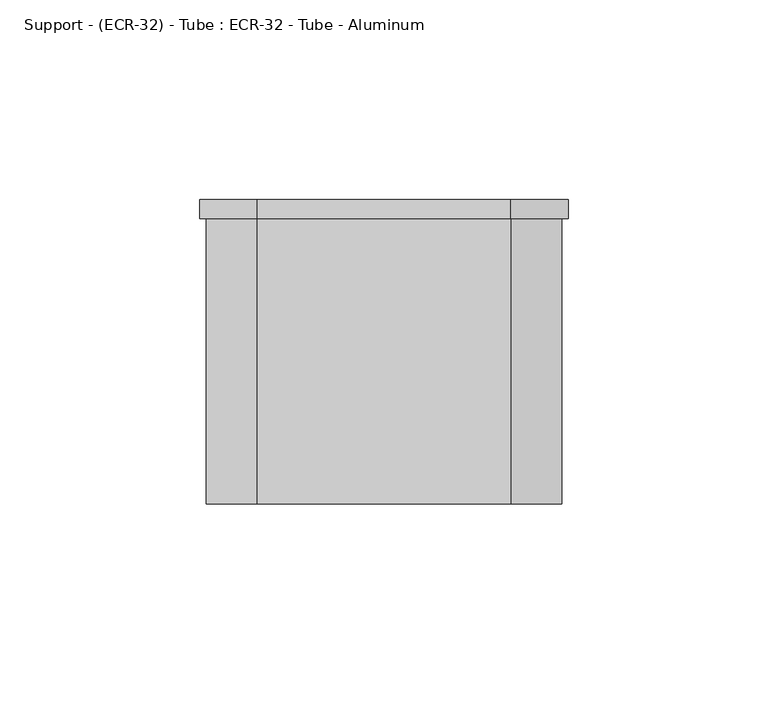
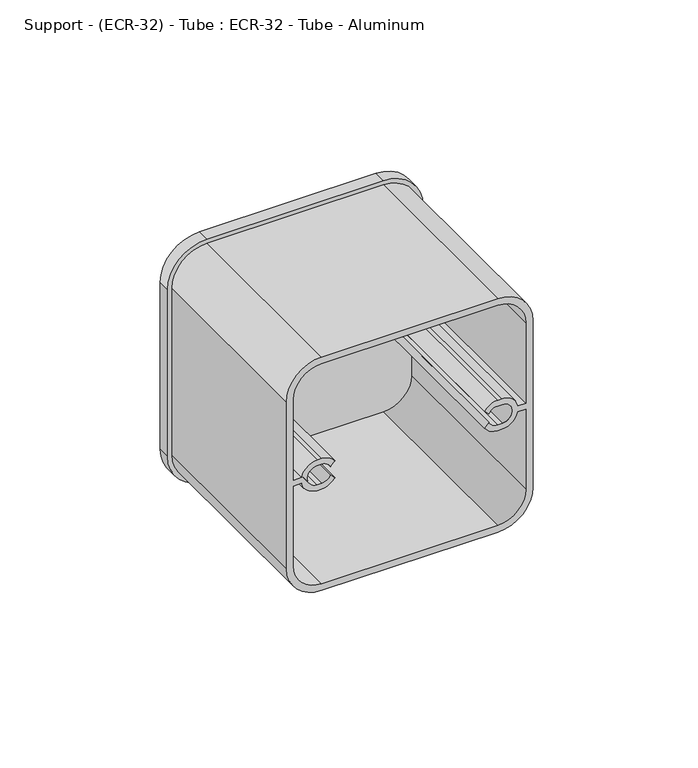
"""IFC4 building model written with IfcOpenShell, lengths in millimetres: proxy geometry, Support - (ECR-32) - Tube : ECR-32 - Tube - Aluminum."""

from ifc_helpers import new_model, si_unit, frame, origin, place, context, project, spatial, polyline, circle_curve, source, transform, mapped, element, save
from ifc_brep_helpers import plane_surface, cylinder_surface, revolved_surface, advanced_brep


def support_ecr_32_tube_ecr_32_tube_aluminum_d61cc488(model_context):
    return source(origin(), model_context, "Body", "AdvancedBrep", [
        advanced_brep(
        [(-46.0375, 74.6125, 19.05), (-31.75, 74.6125, 4.7625), (31.75, 74.6125, 4.7625), (46.0375, 74.6125, 19.05), (46.0375, 74.6125, 82.55), (31.75, 74.6125, 96.8375), (-31.75, 74.6125, 96.8375), (-46.0375, 74.6125, 82.55), (-31.75, 74.6125, 95.25), (31.75, 74.6125, 95.25), (44.45, 74.6125, 82.55), (44.45, 74.6125, 19.05), (31.75, 74.6125, 6.35), (-31.75, 74.6125, 6.35), (-44.45, 74.6125, 19.05), (-44.45, 74.6125, 82.55), (-28.5371259, 74.6125, 52.324), (-28.194, 74.6125, 50.8), (-28.5371259, 74.6125, 49.276), (-26.8620903, 74.6125, 47.6009644), (-31.7503554, 74.6125, 44.958), (-33.290701, 74.6125, 44.9581875), (-39.0665937, 74.6125, 49.657), (-41.8703125, 74.6125, 49.657), (-41.8703125, 74.6125, 19.05), (-31.75, 74.6125, 8.9296875), (31.75, 74.6125, 8.9296875), (41.8703125, 74.6125, 19.05), (41.8703125, 74.6125, 49.657), (39.0665937, 74.6125, 49.657), (33.290701, 74.6125, 44.9581875), (31.7510662, 74.6125, 44.9580001), (26.8620903, 74.6125, 47.6009644), (28.5371259, 74.6125, 49.276), (28.194, 74.6125, 50.8), (28.5371259, 74.6125, 52.324), (26.8618755, 74.6125, 53.9992504), (31.7507108, 74.6125, 56.6419999), (33.290701, 74.6125, 56.6418125), (39.0665937, 74.6125, 51.943), (41.8703125, 74.6125, 51.943), (41.8703125, 74.6125, 82.55), (31.75, 74.6125, 92.6703125), (-31.75, 74.6125, 92.6703125), (-41.8703125, 74.6125, 82.55), (-41.8703125, 74.6125, 51.943), (-39.0665937, 74.6125, 51.943), (-33.290701, 74.6125, 56.6418125), (-31.7507108, 74.6125, 56.6419999), (-26.8618755, 74.6125, 53.9992504), (-46.0375, 79.2852417, 19.05), (-46.0375, 79.2852417, 82.55), (-31.75, 79.2852417, 96.8375), (31.75, 79.2852417, 96.8375), (46.0375, 79.2852417, 82.55), (46.0375, 79.2852417, 19.05), (31.75, 79.2852417, 4.7625), (-31.75, 79.2852417, 4.7625), (-33.3375, 79.2852417, 47.244), (-31.75, 79.2852417, 47.244), (-28.5371259, 79.2852417, 49.276), (-28.194, 79.2852417, 50.8), (-28.5371259, 79.2852417, 52.324), (-31.75, 79.2852417, 54.356), (-33.3375, 79.2852417, 54.356), (31.75, 79.2852417, 47.244), (33.3375, 79.2852417, 47.244), (33.3375, 79.2852417, 54.356), (31.75, 79.2852417, 54.356), (28.5371259, 79.2852417, 52.324), (28.194, 79.2852417, 50.8), (28.5371259, 79.2852417, 49.276), (-33.3375, 74.6125, 54.356), (-33.3375, 74.6125, 47.244), (-31.75, 74.6125, 54.356), (-31.75, 3.175, 54.356), (-33.3375, 3.175, 54.356), (-31.75, 74.6125, 47.244), (-33.3375, 3.175, 47.244), (-31.75, 3.175, 47.244), (31.75, 74.6125, 54.356), (33.3375, 74.6125, 54.356), (33.3375, 3.175, 54.356), (31.75, 3.175, 54.356), (33.3375, 74.6125, 47.244), (31.75, 74.6125, 47.244), (31.75, 3.175, 47.244), (33.3375, 3.175, 47.244), (31.75, 3.175, 95.25), (-31.75, 3.175, 95.25), (-44.45, 3.175, 82.55), (-44.45, 3.175, 19.05), (-31.75, 3.175, 6.35), (31.75, 3.175, 6.35), (44.45, 3.175, 19.05), (44.45, 3.175, 82.55), (31.75, 3.175, 92.6703125), (41.8703125, 3.175, 82.55), (41.8703125, 3.175, 51.943), (39.0665937, 3.175, 51.943), (33.290701, 3.175, 56.6418125), (31.7507108, 3.175, 56.6419999), (26.8618755, 3.175, 53.9992504), (28.5371259, 3.175, 52.324), (28.5371259, 3.175, 49.276), (26.8620903, 3.175, 47.6009644), (31.7510662, 3.175, 44.9580001), (33.290701, 3.175, 44.9581875), (39.0665937, 3.175, 49.657), (41.8703125, 3.175, 49.657), (41.8703125, 3.175, 19.05), (31.75, 3.175, 8.9296875), (-31.75, 3.175, 8.9296875), (-41.8703125, 3.175, 19.05), (-41.8703125, 3.175, 49.657), (-39.0665937, 3.175, 49.657), (-33.290701, 3.175, 44.9581875), (-31.7503554, 3.175, 44.958), (-26.8620903, 3.175, 47.6009644), (-28.5371259, 3.175, 49.276), (-28.5371259, 3.175, 52.324), (-26.8618755, 3.175, 53.9992504), (-31.7507108, 3.175, 56.6419999), (-33.290701, 3.175, 56.6418125), (-39.0665937, 3.175, 51.943), (-41.8703125, 3.175, 51.943), (-41.8703125, 3.175, 82.55), (-31.75, 3.175, 92.6703125)],
        [
            (0, 1, circle_curve(frame((-31.75, 74.6125, 19.05), z_axis=(0.0, -1.0, 0.0), x_axis=(1.0, 0.0, 0.0)), 14.2875)),
            (1, 2),
            (2, 3, circle_curve(frame((31.75, 74.6125, 19.05), z_axis=(0.0, -1.0, 0.0), x_axis=(1.0, 0.0, 0.0)), 14.2875)),
            (3, 4),
            (4, 5, circle_curve(frame((31.75, 74.6125, 82.55), z_axis=(0.0, -1.0, 0.0), x_axis=(1.0, 0.0, 0.0)), 14.2875)),
            (5, 6),
            (6, 7, circle_curve(frame((-31.75, 74.6125, 82.55), z_axis=(0.0, -1.0, 0.0), x_axis=(1.0, 0.0, 0.0)), 14.2875)),
            (7, 0),
            (8, 9),
            (9, 10, circle_curve(frame((31.75, 74.6125, 82.55), z_axis=(0.0, 1.0, 0.0), x_axis=(1.0, 0.0, 0.0)), 12.7)),
            (10, 11),
            (11, 12, circle_curve(frame((31.75, 74.6125, 19.05), z_axis=(0.0, 1.0, 0.0), x_axis=(1.0, 0.0, 0.0)), 12.7)),
            (12, 13),
            (13, 14, circle_curve(frame((-31.75, 74.6125, 19.05), z_axis=(0.0, 1.0, 0.0), x_axis=(1.0, 0.0, 0.0)), 12.7)),
            (14, 15),
            (15, 8, circle_curve(frame((-31.75, 74.6125, 82.55), z_axis=(0.0, 1.0, 0.0), x_axis=(1.0, 0.0, 0.0)), 12.7)),
            (16, 17, circle_curve(frame((-31.75, 74.6125, 50.8), z_axis=(0.0, 1.0, 0.0), x_axis=(1.0, 0.0, 0.0)), 3.556)),
            (17, 18, circle_curve(frame((-31.75, 74.6125, 50.8), z_axis=(0.0, 1.0, 0.0), x_axis=(1.0, 0.0, 0.0)), 3.556)),
            (18, 19),
            (19, 20, circle_curve(frame((-31.7503554, 74.6125, 50.8), z_axis=(0.0, 1.0, 0.0), x_axis=(1.0, 0.0, 0.0)), 5.842)),
            (20, 21),
            (21, 22, circle_curve(frame((-33.3375, 74.6125, 50.8), z_axis=(0.0, 1.0, 0.0), x_axis=(1.0, 0.0, 0.0)), 5.842)),
            (22, 23),
            (23, 24),
            (24, 25, circle_curve(frame((-31.75, 74.6125, 19.05), z_axis=(0.0, -1.0, 0.0), x_axis=(1.0, 0.0, 0.0)), 10.1203125)),
            (25, 26),
            (26, 27, circle_curve(frame((31.75, 74.6125, 19.05), z_axis=(0.0, -1.0, 0.0), x_axis=(1.0, 0.0, 0.0)), 10.1203125)),
            (27, 28),
            (28, 29),
            (29, 30, circle_curve(frame((33.3375, 74.6125, 50.8), z_axis=(0.0, 1.0, 0.0), x_axis=(1.0, 0.0, 0.0)), 5.842)),
            (30, 31),
            (31, 32, circle_curve(frame((31.7503554, 74.6125, 50.8), z_axis=(0.0, 1.0, 0.0), x_axis=(1.0, 0.0, 0.0)), 5.842)),
            (32, 33),
            (33, 34, circle_curve(frame((31.75, 74.6125, 50.8), z_axis=(0.0, 1.0, 0.0), x_axis=(1.0, 0.0, 0.0)), 3.556)),
            (34, 35, circle_curve(frame((31.75, 74.6125, 50.8), z_axis=(0.0, 1.0, 0.0), x_axis=(1.0, 0.0, 0.0)), 3.556)),
            (35, 36),
            (36, 37, circle_curve(frame((31.75, 74.6125, 50.8), z_axis=(0.0, 1.0, 0.0), x_axis=(1.0, 0.0, 0.0)), 5.842)),
            (37, 38),
            (38, 39, circle_curve(frame((33.3375, 74.6125, 50.8), z_axis=(0.0, 1.0, 0.0), x_axis=(1.0, 0.0, 0.0)), 5.842)),
            (39, 40),
            (40, 41),
            (41, 42, circle_curve(frame((31.75, 74.6125, 82.55), z_axis=(0.0, -1.0, 0.0), x_axis=(1.0, 0.0, 0.0)), 10.1203125)),
            (42, 43),
            (43, 44, circle_curve(frame((-31.75, 74.6125, 82.55), z_axis=(0.0, -1.0, 0.0), x_axis=(1.0, 0.0, 0.0)), 10.1203125)),
            (44, 45),
            (45, 46),
            (46, 47, circle_curve(frame((-33.3375, 74.6125, 50.8), z_axis=(0.0, 1.0, 0.0), x_axis=(1.0, 0.0, 0.0)), 5.842)),
            (47, 48),
            (48, 49, circle_curve(frame((-31.75, 74.6125, 50.8), z_axis=(0.0, 1.0, 0.0), x_axis=(1.0, 0.0, 0.0)), 5.842)),
            (49, 16),
            (50, 51),
            (51, 52, circle_curve(frame((-31.75, 79.2852417, 82.55), z_axis=(0.0, 1.0, 0.0), x_axis=(1.0, 0.0, 0.0)), 14.2875)),
            (52, 53),
            (53, 54, circle_curve(frame((31.75, 79.2852417, 82.55), z_axis=(0.0, 1.0, 0.0), x_axis=(1.0, 0.0, 0.0)), 14.2875)),
            (54, 55),
            (55, 56, circle_curve(frame((31.75, 79.2852417, 19.05), z_axis=(0.0, 1.0, 0.0), x_axis=(1.0, 0.0, 0.0)), 14.2875)),
            (56, 57),
            (57, 50, circle_curve(frame((-31.75, 79.2852417, 19.05), z_axis=(0.0, 1.0, 0.0), x_axis=(1.0, 0.0, 0.0)), 14.2875)),
            (58, 59),
            (59, 60, circle_curve(frame((-31.75, 79.2852417, 50.8), z_axis=(0.0, -1.0, 0.0), x_axis=(1.0, 0.0, 0.0)), 3.556)),
            (60, 61, circle_curve(frame((-31.75, 79.2852417, 50.8), z_axis=(0.0, -1.0, 0.0), x_axis=(1.0, 0.0, 0.0)), 3.556)),
            (61, 62, circle_curve(frame((-31.75, 79.2852417, 50.8), z_axis=(0.0, -1.0, 0.0), x_axis=(1.0, 0.0, 0.0)), 3.556)),
            (62, 63, circle_curve(frame((-31.75, 79.2852417, 50.8), z_axis=(0.0, -1.0, 0.0), x_axis=(1.0, 0.0, 0.0)), 3.556)),
            (63, 64),
            (64, 58, circle_curve(frame((-33.3375, 79.2852417, 50.8), z_axis=(0.0, -1.0, 0.0), x_axis=(1.0, 0.0, 0.0)), 3.556)),
            (65, 66),
            (66, 67, circle_curve(frame((33.3375, 79.2852417, 50.8), z_axis=(0.0, -1.0, 0.0), x_axis=(1.0, 0.0, 0.0)), 3.556)),
            (67, 68),
            (68, 69, circle_curve(frame((31.75, 79.2852417, 50.8), z_axis=(0.0, -1.0, 0.0), x_axis=(1.0, 0.0, 0.0)), 3.556)),
            (69, 70, circle_curve(frame((31.75, 79.2852417, 50.8), z_axis=(0.0, -1.0, 0.0), x_axis=(1.0, 0.0, 0.0)), 3.556)),
            (70, 71, circle_curve(frame((31.75, 79.2852417, 50.8), z_axis=(0.0, -1.0, 0.0), x_axis=(1.0, 0.0, 0.0)), 3.556)),
            (71, 65, circle_curve(frame((31.75, 79.2852417, 50.8), z_axis=(0.0, -1.0, 0.0), x_axis=(1.0, 0.0, 0.0)), 3.556)),
            (0, 50),
            (57, 1),
            (56, 2),
            (55, 3),
            (54, 4),
            (53, 5),
            (52, 6),
            (51, 7),
            (64, 72),
            (72, 73, circle_curve(frame((-33.3375, 74.6125, 50.8), z_axis=(0.0, -1.0, 0.0), x_axis=(1.0, 0.0, 0.0)), 3.556)),
            (73, 58),
            (63, 74),
            (74, 75),
            (75, 76),
            (76, 72),
            (61, 17),
            (16, 74, circle_curve(frame((-31.75, 74.6125, 50.8), z_axis=(0.0, -1.0, 0.0), x_axis=(1.0, 0.0, 0.0)), 3.556)),
            (59, 77),
            (77, 18, circle_curve(frame((-31.75, 74.6125, 50.8), z_axis=(0.0, -1.0, 0.0), x_axis=(1.0, 0.0, 0.0)), 3.556)),
            (73, 78),
            (78, 79),
            (79, 77),
            (34, 70),
            (68, 80),
            (80, 35, circle_curve(frame((31.75, 74.6125, 50.8), z_axis=(0.0, -1.0, 0.0), x_axis=(1.0, 0.0, 0.0)), 3.556)),
            (67, 81),
            (81, 82),
            (82, 83),
            (83, 80),
            (66, 84),
            (84, 81, circle_curve(frame((33.3375, 74.6125, 50.8), z_axis=(0.0, -1.0, 0.0), x_axis=(1.0, 0.0, 0.0)), 3.556)),
            (65, 85),
            (85, 86),
            (86, 87),
            (87, 84),
            (33, 85, circle_curve(frame((31.75, 74.6125, 50.8), z_axis=(0.0, -1.0, 0.0), x_axis=(1.0, 0.0, 0.0)), 3.556)),
            (88, 89),
            (89, 90, circle_curve(frame((-31.75, 3.175, 82.55), z_axis=(0.0, -1.0, 0.0), x_axis=(1.0, 0.0, 0.0)), 12.7)),
            (90, 91),
            (91, 92, circle_curve(frame((-31.75, 3.175, 19.05), z_axis=(0.0, -1.0, 0.0), x_axis=(1.0, 0.0, 0.0)), 12.7)),
            (92, 93),
            (93, 94, circle_curve(frame((31.75, 3.175, 19.05), z_axis=(0.0, -1.0, 0.0), x_axis=(1.0, 0.0, 0.0)), 12.7)),
            (94, 95),
            (95, 88, circle_curve(frame((31.75, 3.175, 82.55), z_axis=(0.0, -1.0, 0.0), x_axis=(1.0, 0.0, 0.0)), 12.7)),
            (96, 97, circle_curve(frame((31.75, 3.175, 82.55), z_axis=(0.0, 1.0, 0.0), x_axis=(1.0, 0.0, 0.0)), 10.1203125)),
            (97, 98),
            (98, 99),
            (99, 100, circle_curve(frame((33.3375, 3.175, 50.8), z_axis=(0.0, -1.0, 0.0), x_axis=(1.0, 0.0, 0.0)), 5.842)),
            (100, 101),
            (101, 102, circle_curve(frame((31.75, 3.175, 50.8), z_axis=(0.0, -1.0, 0.0), x_axis=(1.0, 0.0, 0.0)), 5.842)),
            (102, 103),
            (103, 83, circle_curve(frame((31.75, 3.175, 50.8), z_axis=(0.0, 1.0, 0.0), x_axis=(1.0, 0.0, 0.0)), 3.556)),
            (82, 87, circle_curve(frame((33.3375, 3.175, 50.8), z_axis=(0.0, 1.0, 0.0), x_axis=(1.0, 0.0, 0.0)), 3.556)),
            (86, 104, circle_curve(frame((31.75, 3.175, 50.8), z_axis=(0.0, 1.0, 0.0), x_axis=(1.0, 0.0, 0.0)), 3.556)),
            (104, 105),
            (105, 106, circle_curve(frame((31.7503554, 3.175, 50.8), z_axis=(0.0, -1.0, 0.0), x_axis=(1.0, 0.0, 0.0)), 5.842)),
            (106, 107),
            (107, 108, circle_curve(frame((33.3375, 3.175, 50.8), z_axis=(0.0, -1.0, 0.0), x_axis=(1.0, 0.0, 0.0)), 5.842)),
            (108, 109),
            (109, 110),
            (110, 111, circle_curve(frame((31.75, 3.175, 19.05), z_axis=(0.0, 1.0, 0.0), x_axis=(1.0, 0.0, 0.0)), 10.1203125)),
            (111, 112),
            (112, 113, circle_curve(frame((-31.75, 3.175, 19.05), z_axis=(0.0, 1.0, 0.0), x_axis=(1.0, 0.0, 0.0)), 10.1203125)),
            (113, 114),
            (114, 115),
            (115, 116, circle_curve(frame((-33.3375, 3.175, 50.8), z_axis=(0.0, -1.0, 0.0), x_axis=(1.0, 0.0, 0.0)), 5.842)),
            (116, 117),
            (117, 118, circle_curve(frame((-31.7503554, 3.175, 50.8), z_axis=(0.0, -1.0, 0.0), x_axis=(1.0, 0.0, 0.0)), 5.842)),
            (118, 119),
            (119, 79, circle_curve(frame((-31.75, 3.175, 50.8), z_axis=(0.0, 1.0, 0.0), x_axis=(1.0, 0.0, 0.0)), 3.556)),
            (78, 76, circle_curve(frame((-33.3375, 3.175, 50.8), z_axis=(0.0, 1.0, 0.0), x_axis=(1.0, 0.0, 0.0)), 3.556)),
            (75, 120, circle_curve(frame((-31.75, 3.175, 50.8), z_axis=(0.0, 1.0, 0.0), x_axis=(1.0, 0.0, 0.0)), 3.556)),
            (120, 121),
            (121, 122, circle_curve(frame((-31.75, 3.175, 50.8), z_axis=(0.0, -1.0, 0.0), x_axis=(1.0, 0.0, 0.0)), 5.842)),
            (122, 123),
            (123, 124, circle_curve(frame((-33.3375, 3.175, 50.8), z_axis=(0.0, -1.0, 0.0), x_axis=(1.0, 0.0, 0.0)), 5.842)),
            (124, 125),
            (125, 126),
            (126, 127, circle_curve(frame((-31.75, 3.175, 82.55), z_axis=(0.0, 1.0, 0.0), x_axis=(1.0, 0.0, 0.0)), 10.1203125)),
            (127, 96),
            (88, 9),
            (8, 89),
            (15, 90),
            (14, 91),
            (13, 92),
            (12, 93),
            (11, 94),
            (10, 95),
            (96, 42),
            (41, 97),
            (40, 98),
            (110, 27),
            (26, 111),
            (25, 112),
            (24, 113),
            (23, 114),
            (126, 44),
            (43, 127),
            (39, 99),
            (38, 100),
            (37, 101),
            (36, 102),
            (35, 103),
            (33, 104),
            (32, 105),
            (31, 106),
            (30, 107),
            (29, 108),
            (28, 109),
            (22, 115),
            (21, 116),
            (20, 117),
            (19, 118),
            (18, 119),
            (16, 120),
            (49, 121),
            (48, 122),
            (47, 123),
            (46, 124),
            (45, 125),
        ],
        [
            plane_surface(frame((-17.4625, 74.6125, 19.05), z_axis=(0.0, -1.0, 0.0), x_axis=(0.0, 0.0, 1.0))),
            plane_surface(frame((-17.4625, 79.2852417, 19.05), z_axis=(0.0, 1.0, 0.0), x_axis=(0.0, 0.0, -1.0))),
            cylinder_surface(frame((-31.75, 79.2852417, 19.05), z_axis=(0.0, -1.0, 0.0), x_axis=(1.0, 0.0, 0.0)), 14.2875),
            plane_surface(frame((-31.75, 74.6125, 4.7625), z_axis=(0.0, 0.0, -1.0), x_axis=(0.0, 1.0, 0.0))),
            cylinder_surface(frame((31.75, 79.2852417, 19.05), z_axis=(0.0, -1.0, 0.0), x_axis=(1.0, 0.0, 0.0)), 14.2875),
            plane_surface(frame((46.0375, 74.6125, 19.05), z_axis=(1.0, 0.0, 0.0), x_axis=(0.0, 1.0, 0.0))),
            cylinder_surface(frame((31.75, 79.2852417, 82.55), z_axis=(0.0, -1.0, 0.0), x_axis=(1.0, 0.0, 0.0)), 14.2875),
            plane_surface(frame((31.75, 74.6125, 96.8375), z_axis=(0.0, 0.0, 1.0), x_axis=(0.0, 1.0, 0.0))),
            cylinder_surface(frame((-31.75, 79.2852417, 82.55), z_axis=(0.0, -1.0, 0.0), x_axis=(1.0, 0.0, 0.0)), 14.2875),
            plane_surface(frame((-46.0375, 74.6125, 82.55), z_axis=(-1.0, 0.0, 0.0), x_axis=(0.0, 1.0, 0.0))),
            revolved_surface(polyline([(-29.781499999999998, 79.2852417, 50.8), (-29.781499999999998, 74.6125, 50.8)]), (-33.3375, 0.0, 50.8), (0.0, 1.0, 0.0)),
            plane_surface(frame((-33.3375, 74.6125, 54.356), z_axis=(0.0, 0.0, -1.0), x_axis=(0.0, 1.0, 0.0))),
            revolved_surface(polyline([(-28.194, 79.2852417, 50.8), (-28.194, 74.6125, 50.8)]), (-31.75, 0.0, 50.8), (0.0, 1.0, 0.0)),
            plane_surface(frame((-31.75, 74.6125, 47.244), z_axis=(0.0, 0.0, 1.0), x_axis=(0.0, 1.0, 0.0))),
            revolved_surface(polyline([(35.306, 79.2852417, 50.8), (35.306, 74.6125, 50.8)]), (31.75, 0.0, 50.8), (0.0, 1.0, 0.0)),
            plane_surface(frame((31.75, 74.6125, 54.356), z_axis=(0.0, 0.0, -1.0), x_axis=(0.0, 1.0, 0.0))),
            revolved_surface(polyline([(36.893499999999996, 79.2852417, 50.8), (36.893499999999996, 74.6125, 50.8)]), (33.3375, 0.0, 50.8), (0.0, 1.0, 0.0)),
            plane_surface(frame((33.3375, 74.6125, 47.244), z_axis=(0.0, 0.0, 1.0), x_axis=(0.0, 1.0, 0.0))),
            plane_surface(frame((-44.45, 3.175, 95.25), z_axis=(0.0, -1.0, 0.0), x_axis=(-1.0, 0.0, 0.0))),
            plane_surface(frame((31.75, 3.175, 95.25), z_axis=(0.0, 0.0, 1.0), x_axis=(0.0, 1.0, 0.0))),
            cylinder_surface(frame((-31.75, 79.2852417, 82.55), z_axis=(0.0, -1.0, 0.0), x_axis=(1.0, 0.0, 0.0)), 12.7),
            plane_surface(frame((-44.45, 3.175, 82.55), z_axis=(-1.0, 0.0, 0.0), x_axis=(0.0, 1.0, 0.0))),
            cylinder_surface(frame((-31.75, 79.2852417, 19.05), z_axis=(0.0, -1.0, 0.0), x_axis=(1.0, 0.0, 0.0)), 12.7),
            plane_surface(frame((-31.75, 3.175, 6.35), z_axis=(0.0, 0.0, -1.0), x_axis=(0.0, 1.0, 0.0))),
            cylinder_surface(frame((31.75, 79.2852417, 19.05), z_axis=(0.0, -1.0, 0.0), x_axis=(1.0, 0.0, 0.0)), 12.7),
            plane_surface(frame((44.45, 3.175, 19.05), z_axis=(1.0, 0.0, 0.0), x_axis=(0.0, 1.0, 0.0))),
            cylinder_surface(frame((31.75, 79.2852417, 82.55), z_axis=(0.0, -1.0, 0.0), x_axis=(1.0, 0.0, 0.0)), 12.7),
            revolved_surface(polyline([(41.8703125, 74.6125, 82.55), (41.8703125, 3.175, 82.55)]), (31.75, 0.0, 82.55), (0.0, 1.0, 0.0)),
            plane_surface(frame((41.8703125, 3.175, 82.55), z_axis=(-1.0, 0.0, 0.0), x_axis=(0.0, 1.0, 0.0))),
            revolved_surface(polyline([(41.8703125, 74.6125, 19.05), (41.8703125, 3.175, 19.05)]), (31.75, 0.0, 19.05), (0.0, 1.0, 0.0)),
            plane_surface(frame((31.75, 3.175, 8.9296875), z_axis=(0.0, 0.0, 1.0), x_axis=(0.0, 1.0, 0.0))),
            revolved_surface(polyline([(-21.6296875, 74.6125, 19.05), (-21.6296875, 3.175, 19.05)]), (-31.75, 0.0, 19.05), (0.0, 1.0, 0.0)),
            plane_surface(frame((-41.8703125, 3.175, 19.05), z_axis=(1.0, 0.0, 0.0), x_axis=(0.0, 1.0, 0.0))),
            revolved_surface(polyline([(-21.6296875, 74.6125, 82.55), (-21.6296875, 3.175, 82.55)]), (-31.75, 0.0, 82.55), (0.0, 1.0, 0.0)),
            plane_surface(frame((-31.75, 3.175, 92.6703125), z_axis=(0.0, 0.0, -1.0), x_axis=(0.0, 1.0, 0.0))),
            plane_surface(frame((41.8703125, 3.175, 51.943), z_axis=(0.0, 0.0, 1.0), x_axis=(0.0, 1.0, 0.0))),
            cylinder_surface(frame((33.3375, 0.0, 50.8), z_axis=(0.0, -1.0, 0.0), x_axis=(1.0, 0.0, 0.0)), 5.842),
            plane_surface(frame((33.290701, 3.175, 56.6418125), z_axis=(0.00012167560456572055, 0.0, 0.9999999925975237), x_axis=(0.0, 1.0, 0.0))),
            cylinder_surface(frame((31.75, 0.0, 50.8), z_axis=(0.0, -1.0, 0.0), x_axis=(1.0, 0.0, 0.0)), 5.842),
            plane_surface(frame((26.8618755, 3.175, 53.9992504), z_axis=(-0.7071067842272809, 0.0, -0.7071067781458141), x_axis=(0.0, 1.0, 0.0))),
            revolved_surface(polyline([(35.306, 74.6125, 50.8), (35.306, 3.175, 50.8)]), (31.75, 0.0, 50.8), (0.0, 1.0, 0.0)),
            revolved_surface(polyline([(36.893499999999996, 74.6125, 50.8), (36.893499999999996, 3.175, 50.8)]), (33.3375, 0.0, 50.8), (0.0, 1.0, 0.0)),
            plane_surface(frame((28.5371259, 3.175, 49.276), z_axis=(-0.7071067812004801, 0.0, 0.707106781172615), x_axis=(0.0, 1.0, 0.0))),
            cylinder_surface(frame((31.7503554, 0.0, 50.8), z_axis=(0.0, -1.0, 0.0), x_axis=(1.0, 0.0, 0.0)), 5.842),
            plane_surface(frame((31.7510662, 3.175, 44.9580001), z_axis=(0.00012169432970729517, 0.0, -0.9999999925952451), x_axis=(0.0, 1.0, 0.0))),
            plane_surface(frame((39.0665937, 3.175, 49.657), z_axis=(0.0, 0.0, -1.0), x_axis=(0.0, 1.0, 0.0))),
            plane_surface(frame((41.8703125, 3.175, 49.657), z_axis=(-1.0, 0.0, 0.0), x_axis=(0.0, 1.0, 0.0))),
            plane_surface(frame((-41.8703125, 3.175, 49.657), z_axis=(0.0, 0.0, -1.0), x_axis=(0.0, 1.0, 0.0))),
            cylinder_surface(frame((-33.3375, 0.0, 50.8), z_axis=(0.0, -1.0, 0.0), x_axis=(1.0, 0.0, 0.0)), 5.842),
            plane_surface(frame((-33.290701, 3.175, 44.9581875), z_axis=(-0.00012166624692721031, 0.0, -0.9999999925986622), x_axis=(0.0, 1.0, 0.0))),
            cylinder_surface(frame((-31.7503554, 0.0, 50.8), z_axis=(0.0, -1.0, 0.0), x_axis=(1.0, 0.0, 0.0)), 5.842),
            plane_surface(frame((-26.8620903, 3.175, 47.6009644), z_axis=(0.7071067903132663, 0.0, 0.7071067720598286), x_axis=(0.0, 1.0, 0.0))),
            revolved_surface(polyline([(-28.194, 74.6125, 50.8), (-28.194, 3.175, 50.8)]), (-31.75, 0.0, 50.8), (0.0, 1.0, 0.0)),
            revolved_surface(polyline([(-29.781499999999998, 74.6125, 50.8), (-29.781499999999998, 3.175, 50.8)]), (-33.3375, 0.0, 50.8), (0.0, 1.0, 0.0)),
            plane_surface(frame((-28.5371259, 3.175, 52.324), z_axis=(0.7071067811865467, 0.0, -0.7071067811865485), x_axis=(0.0, 1.0, 0.0))),
            cylinder_surface(frame((-31.75, 0.0, 50.8), z_axis=(0.0, -1.0, 0.0), x_axis=(1.0, 0.0, 0.0)), 5.842),
            plane_surface(frame((-31.7507108, 3.175, 56.6419999), z_axis=(-0.00012168496419456723, 0.0, 0.9999999925963847), x_axis=(0.0, 1.0, 0.0))),
            plane_surface(frame((-39.0665937, 3.175, 51.943), z_axis=(0.0, 0.0, 1.0), x_axis=(0.0, 1.0, 0.0))),
            plane_surface(frame((-41.8703125, 3.175, 51.943), z_axis=(1.0, 0.0, 0.0), x_axis=(0.0, 1.0, 0.0))),
        ],
        [
            (0, [[1, 2, 3, 4, 5, 6, 7, 8], [9, 10, 11, 12, 13, 14, 15, 16]]),
            (0, [[17, 18, 19, 20, 21, 22, 23, 24, 25, 26, 27, 28, 29, 30, 31, 32, 33, 34, 35, 36, 37, 38, 39, 40, 41, 42, 43, 44, 45, 46, 47, 48, 49, 50]]),
            (1, [[51, 52, 53, 54, 55, 56, 57, 58], [59, 60, 61, 62, 63, 64, 65], [66, 67, 68, 69, 70, 71, 72]]),
            (2, [[-1, 73, -58, 74]]),
            (3, [[-2, -74, -57, 75]]),
            (4, [[-3, -75, -56, 76]]),
            (5, [[-4, -76, -55, 77]]),
            (6, [[-5, -77, -54, 78]]),
            (7, [[-6, -78, -53, 79]]),
            (8, [[-7, -79, -52, 80]]),
            (9, [[-8, -80, -51, -73]]),
            (10, [[-65, 81, 82, 83]]),
            (11, [[-64, 84, 85, 86, 87, -81]]),
            (12, [[-84, -63, -62, 88, -17, 89]]),
            (12, [[-88, -61, -60, 90, 91, -18]]),
            (13, [[-59, -83, 92, 93, 94, -90]]),
            (14, [[95, -70, -69, 96, 97, -35]]),
            (15, [[-68, 98, 99, 100, 101, -96]]),
            (16, [[-67, 102, 103, -98]]),
            (17, [[-66, 104, 105, 106, 107, -102]]),
            (14, [[-95, -34, 108, -104, -72, -71]]),
            (18, [[109, 110, 111, 112, 113, 114, 115, 116], [117, 118, 119, 120, 121, 122, 123, 124, -100, 125, -106, 126, 127, 128, 129, 130, 131, 132, 133, 134, 135, 136, 137, 138, 139, 140, 141, 142, -93, 143, -86, 144, 145, 146, 147, 148, 149, 150, 151, 152]]),
            (19, [[-109, 153, -9, 154]]),
            (20, [[-110, -154, -16, 155]]),
            (21, [[-111, -155, -15, 156]]),
            (22, [[-112, -156, -14, 157]]),
            (23, [[-113, -157, -13, 158]]),
            (24, [[-114, -158, -12, 159]]),
            (25, [[-115, -159, -11, 160]]),
            (26, [[-116, -160, -10, -153]]),
            (27, [[-117, 161, -42, 162]]),
            (28, [[-118, -162, -41, 163]]),
            (29, [[-133, 164, -27, 165]]),
            (30, [[-134, -165, -26, 166]]),
            (31, [[-135, -166, -25, 167]]),
            (32, [[-136, -167, -24, 168]]),
            (33, [[-151, 169, -44, 170]]),
            (34, [[-152, -170, -43, -161]]),
            (35, [[-119, -163, -40, 171]]),
            (36, [[-120, -171, -39, 172]]),
            (37, [[-121, -172, -38, 173]]),
            (38, [[-122, -173, -37, 174]]),
            (39, [[-123, -174, -36, 175]]),
            (40, [[-124, -175, -97, -101]]),
            (41, [[-125, -99, -103, -107]]),
            (40, [[-126, -105, -108, 176]]),
            (42, [[-127, -176, -33, 177]]),
            (43, [[-128, -177, -32, 178]]),
            (44, [[-129, -178, -31, 179]]),
            (36, [[-130, -179, -30, 180]]),
            (45, [[-131, -180, -29, 181]]),
            (46, [[-132, -181, -28, -164]]),
            (47, [[-137, -168, -23, 182]]),
            (48, [[-138, -182, -22, 183]]),
            (49, [[-139, -183, -21, 184]]),
            (50, [[-140, -184, -20, 185]]),
            (51, [[-141, -185, -19, 186]]),
            (52, [[-142, -186, -91, -94]]),
            (53, [[-143, -92, -82, -87]]),
            (52, [[-144, -85, -89, 187]]),
            (54, [[-145, -187, -50, 188]]),
            (55, [[-146, -188, -49, 189]]),
            (56, [[-147, -189, -48, 190]]),
            (48, [[-148, -190, -47, 191]]),
            (57, [[-149, -191, -46, 192]]),
            (58, [[-150, -192, -45, -169]]),
        ],
    ),
    ])


if __name__ == "__main__":
    model = new_model("IFC4")
    model_context = context("Model", 3, world=origin())
    ifc_project = project(units=[si_unit("LENGTHUNIT", "METRE", prefix="MILLI")], contexts=[model_context])
    site = spatial("IfcSite", under=ifc_project)
    building = spatial("IfcBuilding", under=site)
    placement = place(None, origin())
    support_ecr_32_tube_ecr_32_tube_aluminum_shape = support_ecr_32_tube_ecr_32_tube_aluminum_d61cc488(model_context)
    element("IfcBuildingElementProxy", 1, Name="Support - (ECR-32) - Tube : ECR-32 - Tube - Aluminum", ObjectType="Support - (ECR-32) - Tube : ECR-32 - Tube - Aluminum", at=placement, inside=building, context=model_context, shape_type="MappedRepresentation", body=[
        mapped(support_ecr_32_tube_ecr_32_tube_aluminum_shape, transform((0.0, 0.0, 0.0), x_axis=(1.0, 0.0, 0.0), y_axis=(0.0, 1.0, 0.0), z_axis=(0.0, 0.0, 1.0))),
    ])
    save(model, "model.ifc")
